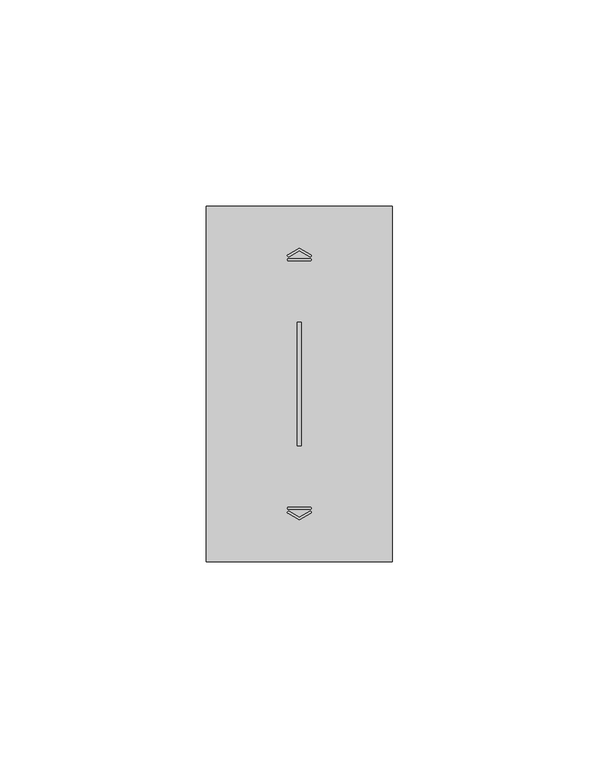
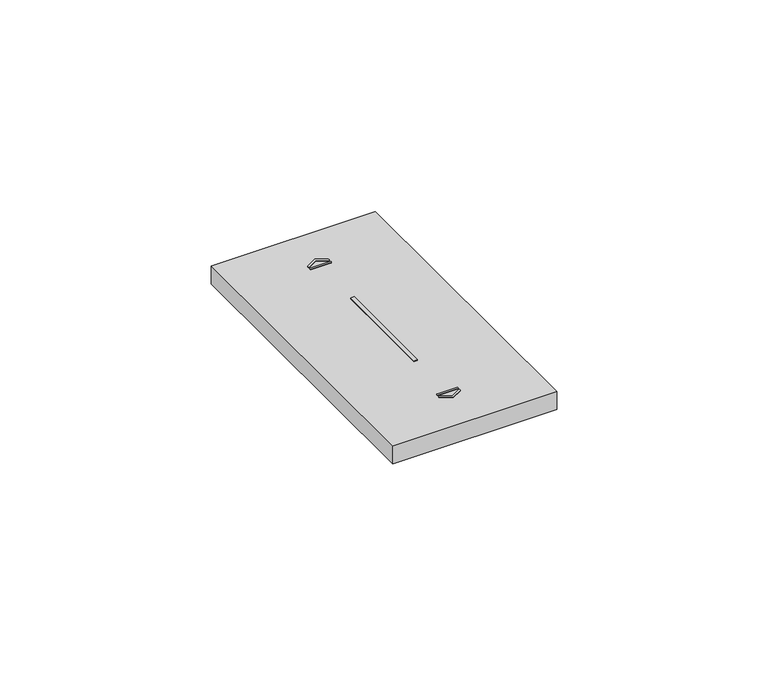
"""IFC4 building model written with IfcOpenShell, lengths in millimetres: proxy geometry."""

from ifc_helpers import new_model, si_unit, point, frame, frame_2d, origin, place, context, project, spatial, polyline, circle_curve, trimmed, segment, composite_curve, outline, extrude, source, transform, mapped, element, save


def electrical_fixtures_cf550dce(model_context):
    return source(origin(), model_context, "Body", "SweptSolid", [
        extrude(outline(composite_curve([segment(polyline([(19.7592079, 74.3175033), (22.5, 75.8674578), (25.2407962, 74.3175011)]), True, "CONTINUOUS"), segment(trimmed(circle_curve(frame_2d((25.108088, 74.0828325)), 0.2695938), [point((25.2407962, 74.3175011))], [point((24.9753797, 73.8481639))], False, "CARTESIAN"), True, "CONTINUOUS"), segment(polyline([(24.9753797, 73.8481639), (22.5, 75.2480241), (20.0246243, 73.8481662)]), True, "CONTINUOUS"), segment(trimmed(circle_curve(frame_2d((19.8919161, 74.0828348)), 0.2695938), [point((20.0246243, 73.8481662))], [point((19.7592079, 74.3175033))], False, "CARTESIAN"), True, "CONTINUOUS")], self_intersect=False)), frame((0.0, 0.0, 10.7), z_axis=(0.0, 0.0, 1.0), x_axis=(1.0, 0.0, 0.0)), (0.0, 0.0, 1.0), 0.1652311),
        extrude(outline(composite_curve([segment(polyline([(19.8716743, 73.3261218), (25.1283298, 73.3261218)]), True, "CONTINUOUS"), segment(trimmed(circle_curve(frame_2d((25.1283298, 73.0767698)), 0.249352), [point((25.1283298, 73.3261218))], [point((25.1283298, 72.8274179))], False, "CARTESIAN"), True, "CONTINUOUS"), segment(polyline([(25.1283298, 72.8274179), (19.8716743, 72.8274179)]), True, "CONTINUOUS"), segment(trimmed(circle_curve(frame_2d((19.8716743, 73.0767698)), 0.249352), [point((19.8716743, 72.8274179))], [point((19.8716743, 73.3261218))], False, "CARTESIAN"), True, "CONTINUOUS")], self_intersect=False)), frame((0.0, 0.0, 10.7), z_axis=(0.0, 0.0, 1.0), x_axis=(1.0, 0.0, 0.0)), (0.0, 0.0, 1.0), 0.1652311),
        extrude(outline(composite_curve([segment(trimmed(circle_curve(frame_2d((19.8919161, 11.9171652)), 0.2695938), [point((19.7592079, 11.6824967))], [point((20.0246243, 12.1518338))], False, "CARTESIAN"), True, "CONTINUOUS"), segment(polyline([(20.0246243, 12.1518338), (22.5, 10.7519759), (24.9753797, 12.1518361)]), True, "CONTINUOUS"), segment(trimmed(circle_curve(frame_2d((25.108088, 11.9171675)), 0.2695938), [point((24.9753797, 12.1518361))], [point((25.2407962, 11.6824989))], False, "CARTESIAN"), True, "CONTINUOUS"), segment(polyline([(25.2407962, 11.6824989), (22.5, 10.1325422), (19.7592079, 11.6824967)]), True, "CONTINUOUS")], self_intersect=False)), frame((0.0, 0.0, 10.7), z_axis=(0.0, 0.0, 1.0), x_axis=(1.0, 0.0, 0.0)), (0.0, 0.0, 1.0), 0.1652311),
        extrude(outline(composite_curve([segment(trimmed(circle_curve(frame_2d((19.8716743, 12.9232302)), 0.249352), [point((19.8716743, 12.6738782))], [point((19.8716743, 13.1725821))], False, "CARTESIAN"), True, "CONTINUOUS"), segment(polyline([(19.8716743, 13.1725821), (25.1283298, 13.1725821)]), True, "CONTINUOUS"), segment(trimmed(circle_curve(frame_2d((25.1283298, 12.9232302)), 0.249352), [point((25.1283298, 13.1725821))], [point((25.1283298, 12.6738782))], False, "CARTESIAN"), True, "CONTINUOUS"), segment(polyline([(25.1283298, 12.6738782), (19.8716743, 12.6738782)]), True, "CONTINUOUS")], self_intersect=False)), frame((0.0, 0.0, 10.7), z_axis=(0.0, 0.0, 1.0), x_axis=(1.0, 0.0, 0.0)), (0.0, 0.0, 1.0), 0.1652311),
        extrude(outline(polyline([(22.0, 58.0), (23.0, 58.0), (23.0, 28.0), (22.0, 28.0), (22.0, 58.0)])), frame((0.0, 0.0, 5.5), z_axis=(0.0, 0.0, 1.0), x_axis=(1.0, 0.0, 0.0)), (0.0, 0.0, 1.0), 5.2),
        extrude(outline(polyline([(0.0, 0.0), (0.0, 86.0), (45.0, 86.0), (45.0, 0.0), (0.0, 0.0)]), holes=[polyline([(22.0, 58.0), (22.0, 28.0), (23.0, 28.0), (23.0, 58.0), (22.0, 58.0)])]), frame((0.0, 0.0, 5.5), z_axis=(0.0, 0.0, 1.0), x_axis=(1.0, 0.0, 0.0)), (0.0, 0.0, 1.0), 5.2),
    ])


if __name__ == "__main__":
    model = new_model("IFC4")
    model_context = context("Model", 3, world=origin())
    ifc_project = project(units=[si_unit("LENGTHUNIT", "METRE", prefix="MILLI")], contexts=[model_context])
    site = spatial("IfcSite", under=ifc_project)
    building = spatial("IfcBuilding", under=site)
    placement = place(None, origin())
    electrical_fixtures_shape = electrical_fixtures_cf550dce(model_context)
    element("IfcBuildingElementProxy", 1, Name="Electrical Fixtures", at=placement, inside=building, context=model_context, shape_type="MappedRepresentation", body=[
        mapped(electrical_fixtures_shape, transform((0.0, 0.0, 0.0), x_axis=(1.0, 0.0, 0.0), y_axis=(0.0, 1.0, 0.0), z_axis=(0.0, 0.0, 1.0))),
    ])
    save(model, "model.ifc")
